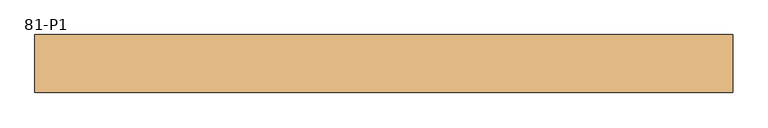
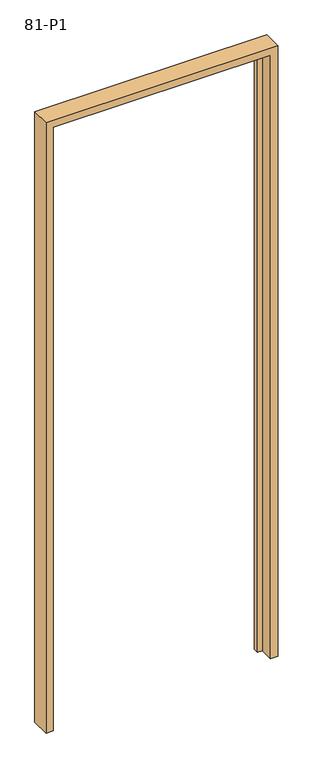
"""IFC4 building model written with IfcOpenShell, lengths in millimetres: door geometry, 81-P1."""

from ifc_helpers import new_model, si_unit, origin, place, context, project, spatial, faceted_brep, source, transform, mapped, element, save


def door_81_p1_83a0de00(model_context):
    return source(origin(), model_context, "Body", "Brep", [
        faceted_brep([(-500.0, -41.5, 0.0), (-500.0, 41.5, 0.0), (-445.5, 41.5, 0.0), (-445.5, 18.0, 0.0), (-468.0, 18.0, 0.0), (-468.0, -41.5, 0.0), (500.0, 41.5, 0.0), (500.0, -41.5, 0.0), (468.0, -41.5, 0.0), (468.0, 18.0, 0.0), (445.5, 18.0, 0.0), (445.5, 41.5, 0.0), (-500.0, -41.5, 2777.0), (-500.0, 41.5, 2777.0), (500.0, 41.5, 2777.0), (445.5, 41.5, 2722.5), (-445.5, 41.5, 2722.5), (-445.5, 18.0, 2722.5), (468.0, 18.0, 2745.0), (-468.0, 18.0, 2745.0), (445.5, 18.0, 2722.5), (-468.0, -41.5, 2745.0), (500.0, -41.5, 2777.0), (468.0, -41.5, 2745.0)], [[[0, 1, 2, 3, 4, 5]], [[6, 7, 8, 9, 10, 11]], [[12, 13, 1, 0]], [[13, 14, 6, 11, 15, 16, 2, 1]], [[16, 17, 3, 2]], [[18, 19, 4, 3, 17, 20, 10, 9]], [[19, 21, 5, 4]], [[22, 12, 0, 5, 21, 23, 8, 7]], [[14, 22, 7, 6]], [[23, 18, 9, 8]], [[20, 15, 11, 10]], [[22, 14, 13, 12]], [[15, 20, 17, 16]], [[21, 19, 18, 23]]]),
    ])


if __name__ == "__main__":
    model = new_model("IFC4")
    model_context = context("Model", 3, world=origin())
    ifc_project = project(units=[si_unit("LENGTHUNIT", "METRE", prefix="MILLI")], contexts=[model_context])
    site = spatial("IfcSite", under=ifc_project)
    building = spatial("IfcBuilding", under=site)
    placement = place(None, origin())
    door_81_p1_shape = door_81_p1_83a0de00(model_context)
    element("IfcDoor", 1, ObjectType="81-P1", at=placement, inside=building, context=model_context, shape_type="MappedRepresentation", body=[
        mapped(door_81_p1_shape, transform((0.0, 0.0, 0.0), x_axis=(1.0, 0.0, 0.0), y_axis=(0.0, 1.0, 0.0), z_axis=(0.0, 0.0, 1.0))),
    ])
    save(model, "model.ifc")
